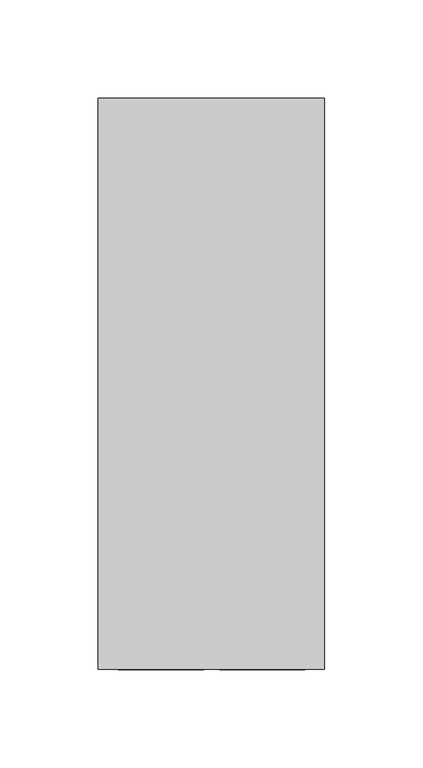
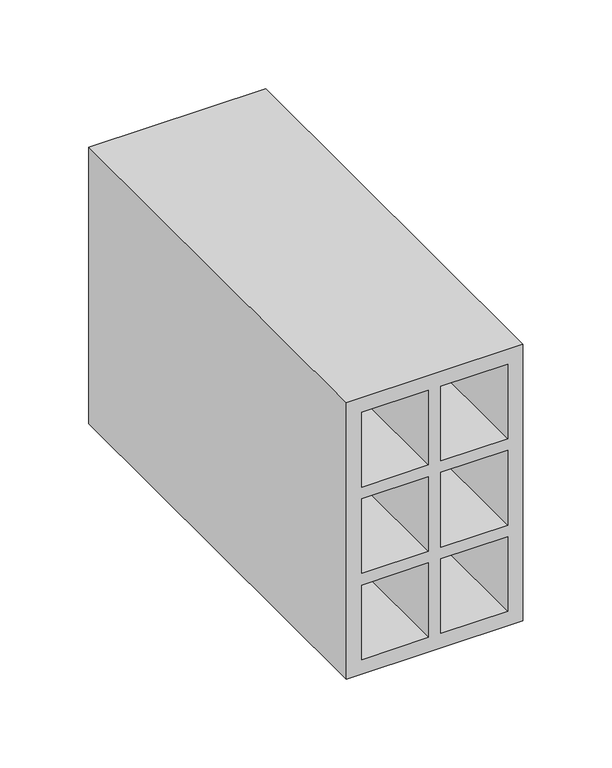
"""IFC4 building model written with IfcOpenShell, lengths in millimetres: proxy geometry."""

from ifc_helpers import new_model, si_unit, frame, origin, place, context, project, spatial, polyline, outline, extrude, source, transform, mapped, element, save


def generic_models_4c4ed230(model_context):
    return source(origin(), model_context, "Body", "SweptSolid", [
        extrude(outline(polyline([(0.0, 115.0), (190.0, 115.0), (190.0, 0.0), (0.0, 0.0), (0.0, 115.0)]), holes=[polyline([(10.0, 61.5), (61.3, 61.5), (61.3, 105.0), (10.0, 105.0), (10.0, 61.5)]), polyline([(10.0, 53.5), (10.0, 10.0), (61.3, 10.0), (61.3, 53.5), (10.0, 53.5)]), polyline([(180.0, 61.5), (180.0, 105.0), (128.7, 105.0), (128.7, 61.5), (180.0, 61.5)]), polyline([(180.0, 53.5), (128.7, 53.5), (128.7, 10.0), (180.0, 10.0), (180.0, 53.5)]), polyline([(120.7, 61.5), (120.7, 105.0), (69.3, 105.0), (69.3, 61.5), (120.7, 61.5)]), polyline([(120.7, 53.5), (69.3, 53.5), (69.3, 10.0), (120.7, 10.0), (120.7, 53.5)])]), frame((0.0, 0.0, 0.0), z_axis=(0.0, 1.0, 0.0), x_axis=(0.0, 0.0, 1.0)), (0.0, 0.0, 1.0), 290.0),
    ])


if __name__ == "__main__":
    model = new_model("IFC4")
    model_context = context("Model", 3, world=origin())
    ifc_project = project(units=[si_unit("LENGTHUNIT", "METRE", prefix="MILLI")], contexts=[model_context])
    site = spatial("IfcSite", under=ifc_project)
    building = spatial("IfcBuilding", under=site)
    placement = place(None, origin())
    generic_models_shape = generic_models_4c4ed230(model_context)
    element("IfcBuildingElementProxy", 1, Name="Generic Models", at=placement, inside=building, context=model_context, shape_type="MappedRepresentation", body=[
        mapped(generic_models_shape, transform((0.0, 0.0, 0.0), x_axis=(1.0, 0.0, 0.0), y_axis=(0.0, 1.0, 0.0), z_axis=(0.0, 0.0, 1.0))),
    ])
    save(model, "model.ifc")
